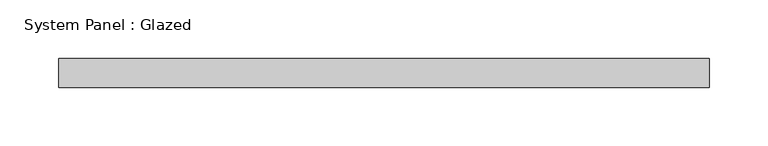
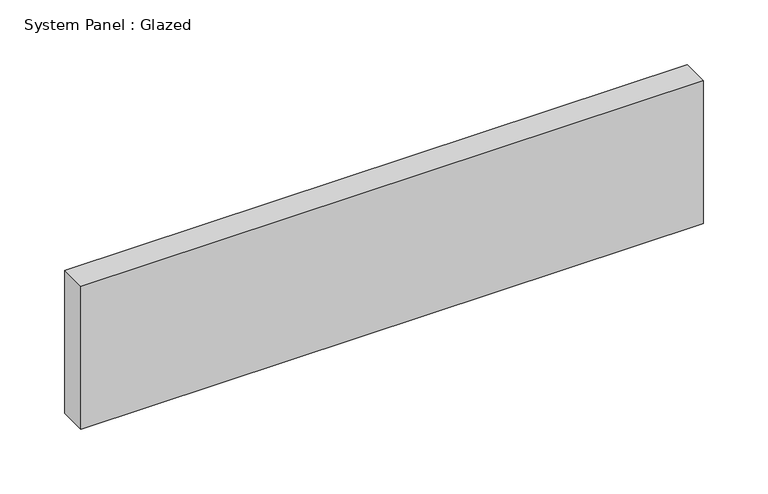
"""IFC4 building model written with IfcOpenShell, lengths in millimetres: plate geometry, System Panel : Glazed."""

from ifc_helpers import new_model, si_unit, origin, origin_with_axes, place, context, project, spatial, polyline, outline, extrude, source, transform, mapped, element, save


def system_panel_glazed_53828f7a(model_context):
    return source(origin(), model_context, "Body", "SweptSolid", [
        extrude(outline(polyline([(278.0, 24.5), (-278.0, 24.5), (-278.0, 49.5), (278.0, 49.5), (278.0, 24.5)])), origin_with_axes(), (0.0, 0.0, 1.0), 135.0),
    ])


if __name__ == "__main__":
    model = new_model("IFC4")
    model_context = context("Model", 3, world=origin())
    ifc_project = project(units=[si_unit("LENGTHUNIT", "METRE", prefix="MILLI")], contexts=[model_context])
    site = spatial("IfcSite", under=ifc_project)
    building = spatial("IfcBuilding", under=site)
    placement = place(None, origin())
    system_panel_glazed_shape = system_panel_glazed_53828f7a(model_context)
    element("IfcPlate", 1, ObjectType="System Panel : Glazed", at=placement, inside=building, context=model_context, shape_type="MappedRepresentation", body=[
        mapped(system_panel_glazed_shape, transform((0.0, 0.0, 0.0), x_axis=(1.0, 0.0, 0.0), y_axis=(0.0, 1.0, 0.0), z_axis=(0.0, 0.0, 1.0))),
    ])
    save(model, "model.ifc")
